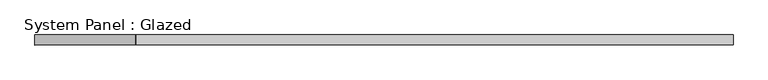
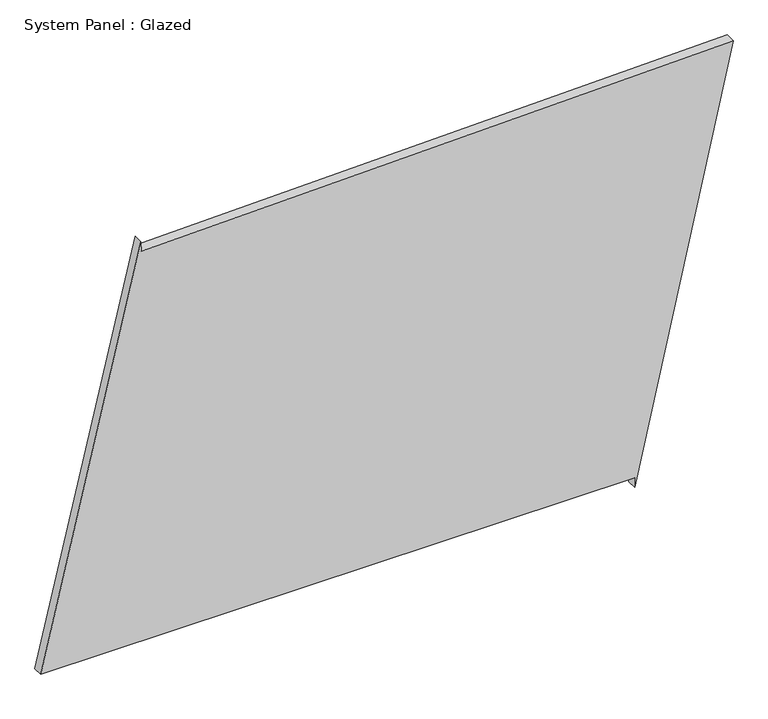
"""IFC4 building model written with IfcOpenShell, lengths in millimetres: plate geometry, System Panel : Glazed."""

from ifc_helpers import new_model, si_unit, frame, origin, place, context, project, spatial, polyline, outline, extrude, source, transform, mapped, element, save


def system_panel_glazed_faa54898(model_context):
    return source(origin(), model_context, "Body", "SweptSolid", [
        extrude(outline(polyline([(25.0, 621.0832334), (0.0, 621.0832334), (1097.6336482, 868.2546728), (1059.3193174, -616.5804672), (1084.3109987, -617.2253466), (25.0, -868.2546728), (25.0, 621.0832334)])), frame((0.0, -49.5, 0.0), z_axis=(0.0, 1.0, 0.0), x_axis=(0.0, 0.0, 1.0)), (0.0, 0.0, 1.0), 25.0),
    ])


if __name__ == "__main__":
    model = new_model("IFC4")
    model_context = context("Model", 3, world=origin())
    ifc_project = project(units=[si_unit("LENGTHUNIT", "METRE", prefix="MILLI")], contexts=[model_context])
    site = spatial("IfcSite", under=ifc_project)
    building = spatial("IfcBuilding", under=site)
    placement = place(None, origin())
    system_panel_glazed_shape = system_panel_glazed_faa54898(model_context)
    element("IfcPlate", 1, ObjectType="System Panel : Glazed", at=placement, inside=building, context=model_context, shape_type="MappedRepresentation", body=[
        mapped(system_panel_glazed_shape, transform((0.0, 0.0, 0.0), x_axis=(1.0, 0.0, 0.0), y_axis=(0.0, 1.0, 0.0), z_axis=(0.0, 0.0, 1.0))),
    ])
    save(model, "model.ifc")
